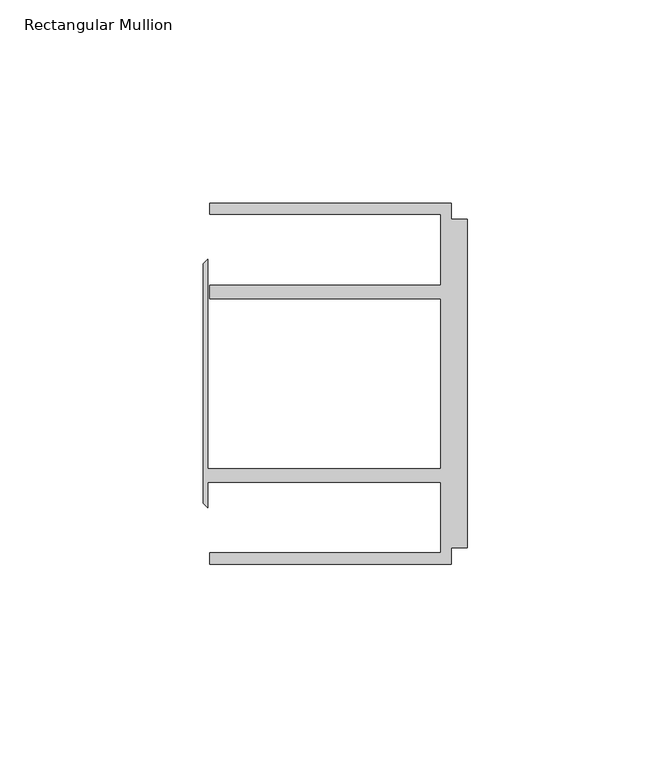
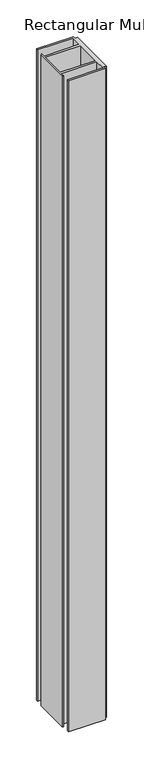
"""IFC4 building model written with IfcOpenShell, lengths in millimetres: member geometry, Rectangular Mullion."""

from ifc_helpers import new_model, si_unit, frame, origin, place, context, project, spatial, polyline, outline, extrude, source, transform, mapped, element, save


def rectangular_mullion_939d1eb2(model_context):
    return source(origin(), model_context, "Body", "SweptSolid", [
        extrude(outline(polyline([(-4.0000001, 44.45), (-4.0000001, 40.4500013), (0.0, 40.4500013), (0.0, -40.4500013), (-4.0000001, -40.4500013), (-4.0000001, -44.45), (-63.5, -44.45), (-63.5, -41.6500013), (-6.6000002, -41.6500013), (-6.6000002, -24.2500008), (-63.9424102, -24.2500008), (-63.9424102, -30.6159585), (-65.0875, -29.4708687), (-65.0875, 29.4708687), (-63.9424102, 30.6159585), (-63.9424102, -20.9500007), (-6.6000002, -20.9500007), (-6.6000002, 20.9500007), (-63.5, 20.9500007), (-63.5, 24.2500008), (-6.6000002, 24.2500008), (-6.6000002, 41.6500013), (-63.5, 41.6500013), (-63.5, 44.45), (-4.0000001, 44.45)])), frame((0.0, 0.0, -1108.0087283), z_axis=(0.0, 0.0, 1.0), x_axis=(1.0, 0.0, 0.0)), (0.0, 0.0, 1.0), 1108.0087283),
    ])


if __name__ == "__main__":
    model = new_model("IFC4")
    model_context = context("Model", 3, world=origin())
    ifc_project = project(units=[si_unit("LENGTHUNIT", "METRE", prefix="MILLI")], contexts=[model_context])
    site = spatial("IfcSite", under=ifc_project)
    building = spatial("IfcBuilding", under=site)
    placement = place(None, origin())
    rectangular_mullion_shape = rectangular_mullion_939d1eb2(model_context)
    element("IfcMember", 1, ObjectType="Rectangular Mullion", at=placement, inside=building, context=model_context, shape_type="MappedRepresentation", body=[
        mapped(rectangular_mullion_shape, transform((0.0, 0.0, 0.0), x_axis=(1.0, 0.0, 0.0), y_axis=(0.0, 1.0, 0.0), z_axis=(0.0, 0.0, 1.0))),
    ])
    save(model, "model.ifc")
